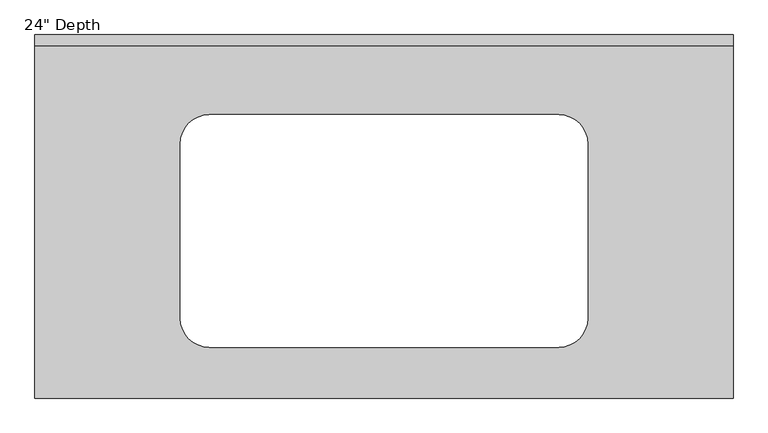
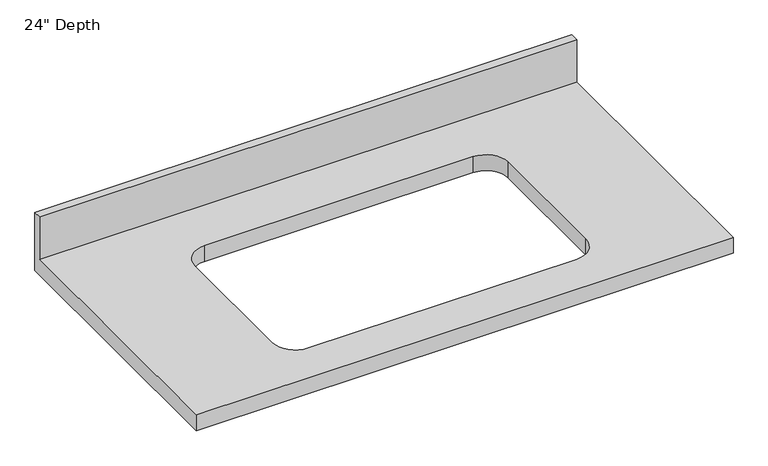
"""IFC4 building model written with IfcOpenShell, lengths in millimetres: furniture geometry."""

from ifc_helpers import new_model, si_unit, frame, origin, place, context, project, spatial, polyline, circle_curve, source, transform, mapped, element, save
from ifc_brep_helpers import plane_surface, revolved_surface, advanced_brep


def furniture_77e1bc60(model_context):
    return source(origin(), model_context, "Body", "AdvancedBrep", [
        advanced_brep(
        [(-1200.4622951, -635.0, 609.6), (18.7377049, -635.0, 609.6), (18.7377049, -19.05, 609.6), (-1200.4622951, -19.05, 609.6), (-895.6622951, -139.7, 609.6), (-286.0622951, -139.7, 609.6), (-235.2622951, -190.5, 609.6), (-235.2622951, -495.3, 609.6), (-286.0622951, -546.1, 609.6), (-895.6622951, -546.1, 609.6), (-946.4622951, -495.3, 609.6), (-946.4622951, -190.5, 609.6), (18.7377049, 0.0, 571.5), (18.7377049, -635.0, 571.5), (-1200.4622951, -635.0, 571.5), (-1200.4622951, 0.0, 571.5), (-286.0622951, -139.7, 571.5), (-895.6622951, -139.7, 571.5), (-946.4622951, -190.5, 571.5), (-946.4622951, -495.3, 571.5), (-895.6622951, -546.1, 571.5), (-286.0622951, -546.1, 571.5), (-235.2622951, -495.3, 571.5), (-235.2622951, -190.5, 571.5), (-1200.4622951, 0.0, 711.2), (18.7377049, 0.0, 711.2), (-1200.4622951, -19.05, 711.2), (18.7377049, -19.05, 711.2)],
        [
            (0, 1),
            (1, 2),
            (2, 3),
            (3, 0),
            (4, 5),
            (5, 6, circle_curve(frame((-286.0622951, -190.5, 609.6), z_axis=(0.0, 0.0, -1.0), x_axis=(1.0, 0.0, 0.0)), 50.8)),
            (6, 7),
            (7, 8, circle_curve(frame((-286.0622951, -495.3, 609.6), z_axis=(0.0, 0.0, -1.0), x_axis=(1.0, 0.0, 0.0)), 50.8)),
            (8, 9),
            (9, 10, circle_curve(frame((-895.6622951, -495.3, 609.6), z_axis=(0.0, 0.0, -1.0), x_axis=(1.0, 0.0, 0.0)), 50.8)),
            (10, 11),
            (11, 4, circle_curve(frame((-895.6622951, -190.5, 609.6), z_axis=(0.0, 0.0, -1.0), x_axis=(1.0, 0.0, 0.0)), 50.8)),
            (12, 13),
            (13, 14),
            (14, 15),
            (15, 12),
            (16, 17),
            (17, 18, circle_curve(frame((-895.6622951, -190.5, 571.5), z_axis=(0.0, 0.0, 1.0), x_axis=(1.0, 0.0, 0.0)), 50.8)),
            (18, 19),
            (19, 20, circle_curve(frame((-895.6622951, -495.3, 571.5), z_axis=(0.0, 0.0, 1.0), x_axis=(1.0, 0.0, 0.0)), 50.8)),
            (20, 21),
            (21, 22, circle_curve(frame((-286.0622951, -495.3, 571.5), z_axis=(0.0, 0.0, 1.0), x_axis=(1.0, 0.0, 0.0)), 50.8)),
            (22, 23),
            (23, 16, circle_curve(frame((-286.0622951, -190.5, 571.5), z_axis=(0.0, 0.0, 1.0), x_axis=(1.0, 0.0, 0.0)), 50.8)),
            (15, 24),
            (24, 25),
            (25, 12),
            (14, 0),
            (3, 26),
            (26, 24),
            (13, 1),
            (25, 27),
            (27, 2),
            (26, 27),
            (4, 17),
            (16, 5),
            (11, 18),
            (10, 19),
            (9, 20),
            (8, 21),
            (7, 22),
            (6, 23),
        ],
        [
            plane_surface(frame((-1200.4622951, 0.0, 609.6), z_axis=(0.0, 0.0, 1.0), x_axis=(-1.0, 0.0, 0.0))),
            plane_surface(frame((-1200.4622951, 0.0, 571.5), z_axis=(0.0, 0.0, -1.0), x_axis=(1.0, 0.0, 0.0))),
            plane_surface(frame((18.7377049, 0.0, 609.6), z_axis=(0.0, 1.0, 0.0), x_axis=(0.0, 0.0, -1.0))),
            plane_surface(frame((-1200.4622951, 0.0, 609.6), z_axis=(-1.0, 0.0, 0.0), x_axis=(0.0, 0.0, -1.0))),
            plane_surface(frame((-1200.4622951, -635.0, 609.6), z_axis=(0.0, -1.0, 0.0), x_axis=(0.0, 0.0, -1.0))),
            plane_surface(frame((18.7377049, -635.0, 609.6), z_axis=(1.0, 0.0, 0.0), x_axis=(0.0, 0.0, -1.0))),
            plane_surface(frame((-1200.4622951, 0.0, 711.2), z_axis=(0.0, 0.0, 1.0), x_axis=(0.0, -1.0, 0.0))),
            plane_surface(frame((-1200.4622951, -19.05, 711.2), z_axis=(0.0, -1.0, 0.0), x_axis=(0.0, 0.0, -1.0))),
            plane_surface(frame((-286.0622951, -139.7, 609.6), z_axis=(0.0, -1.0, 0.0), x_axis=(0.0, 0.0, -1.0))),
            revolved_surface(polyline([(-844.8622951000001, -190.5, 609.6), (-844.8622951000001, -190.5, 571.5)]), (-895.6622951, -190.5, 571.5), (0.0, 0.0, 1.0)),
            plane_surface(frame((-946.4622951, -190.5, 609.6), z_axis=(1.0, 0.0, 0.0), x_axis=(0.0, 0.0, -1.0))),
            revolved_surface(polyline([(-844.8622951000001, -495.3, 609.6), (-844.8622951000001, -495.3, 571.5)]), (-895.6622951, -495.3, 571.5), (0.0, 0.0, 1.0)),
            plane_surface(frame((-895.6622951, -546.1, 609.6), z_axis=(0.0, 1.0, 0.0), x_axis=(0.0, 0.0, -1.0))),
            revolved_surface(polyline([(-235.26229509999996, -495.3, 609.6), (-235.26229509999996, -495.3, 571.5)]), (-286.0622951, -495.3, 571.5), (0.0, 0.0, 1.0)),
            plane_surface(frame((-235.2622951, -495.3, 609.6), z_axis=(-1.0, 0.0, 0.0), x_axis=(0.0, 0.0, -1.0))),
            revolved_surface(polyline([(-235.26229509999996, -190.5, 609.6), (-235.26229509999996, -190.5, 571.5)]), (-286.0622951, -190.5, 571.5), (0.0, 0.0, 1.0)),
        ],
        [
            (0, [[1, 2, 3, 4], [5, 6, 7, 8, 9, 10, 11, 12]]),
            (1, [[13, 14, 15, 16], [17, 18, 19, 20, 21, 22, 23, 24]]),
            (2, [[-16, 25, 26, 27]]),
            (3, [[-15, 28, -4, 29, 30, -25]]),
            (4, [[-1, -28, -14, 31]]),
            (5, [[-13, -27, 32, 33, -2, -31]]),
            (6, [[-30, 34, -32, -26]]),
            (7, [[-34, -29, -3, -33]]),
            (8, [[35, -17, 36, -5]]),
            (9, [[-35, -12, 37, -18]]),
            (10, [[-37, -11, 38, -19]]),
            (11, [[-38, -10, 39, -20]]),
            (12, [[-39, -9, 40, -21]]),
            (13, [[-40, -8, 41, -22]]),
            (14, [[-41, -7, 42, -23]]),
            (15, [[-36, -24, -42, -6]]),
        ],
    ),
    ])


if __name__ == "__main__":
    model = new_model("IFC4")
    model_context = context("Model", 3, world=origin())
    ifc_project = project(units=[si_unit("LENGTHUNIT", "METRE", prefix="MILLI")], contexts=[model_context])
    site = spatial("IfcSite", under=ifc_project)
    building = spatial("IfcBuilding", under=site)
    placement = place(None, origin())
    furniture_shape = furniture_77e1bc60(model_context)
    element("IfcFurniture", 1, ObjectType="24\" Depth", at=placement, inside=building, context=model_context, shape_type="MappedRepresentation", body=[
        mapped(furniture_shape, transform((0.0, 0.0, 0.0), x_axis=(1.0, 0.0, 0.0), y_axis=(0.0, 1.0, 0.0), z_axis=(0.0, 0.0, 1.0))),
    ])
    save(model, "model.ifc")
